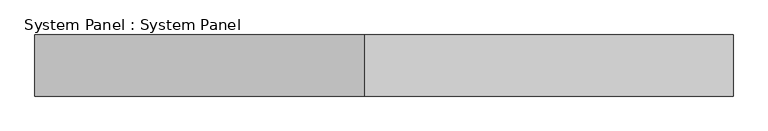
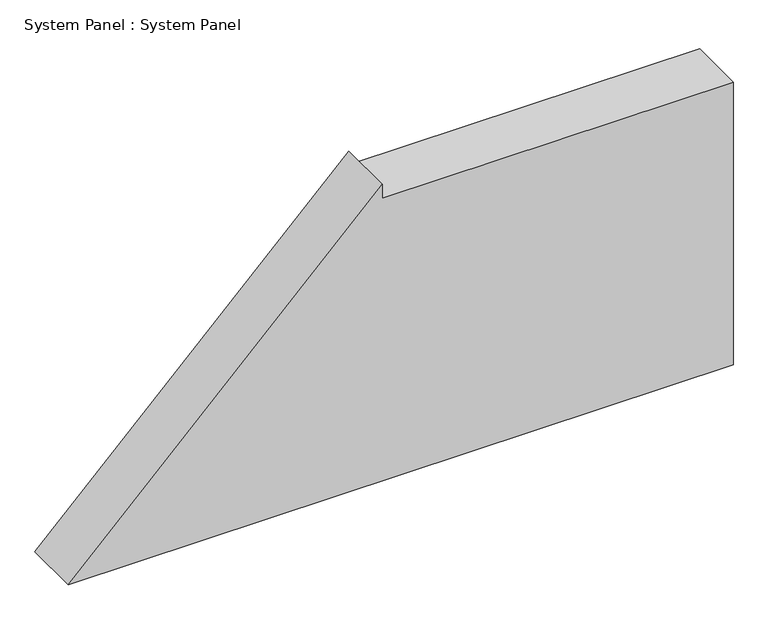
"""IFC4 building model written with IfcOpenShell, lengths in millimetres: plate geometry, System Panel : System Panel."""

from ifc_helpers import new_model, si_unit, frame, origin, place, context, project, spatial, polyline, outline, extrude, source, transform, mapped, element, save


def system_panel_system_panel_e3c5a2a3(model_context):
    return source(origin(), model_context, "Body", "SweptSolid", [
        extrude(outline(polyline([(0.0, 571.375), (514.25, 571.375), (514.25, -32.125), (539.25, -32.125), (0.0, -571.375), (0.0, 571.375)])), frame((0.0, -50.0, 0.0), z_axis=(0.0, 1.0, 0.0), x_axis=(0.0, 0.0, 1.0)), (0.0, 0.0, 1.0), 100.0),
    ])


if __name__ == "__main__":
    model = new_model("IFC4")
    model_context = context("Model", 3, world=origin())
    ifc_project = project(units=[si_unit("LENGTHUNIT", "METRE", prefix="MILLI")], contexts=[model_context])
    site = spatial("IfcSite", under=ifc_project)
    building = spatial("IfcBuilding", under=site)
    placement = place(None, origin())
    system_panel_system_panel_shape = system_panel_system_panel_e3c5a2a3(model_context)
    element("IfcPlate", 1, ObjectType="System Panel : System Panel", at=placement, inside=building, context=model_context, shape_type="MappedRepresentation", body=[
        mapped(system_panel_system_panel_shape, transform((0.0, 0.0, 0.0), x_axis=(1.0, 0.0, 0.0), y_axis=(0.0, 1.0, 0.0), z_axis=(0.0, 0.0, 1.0))),
    ])
    save(model, "model.ifc")
